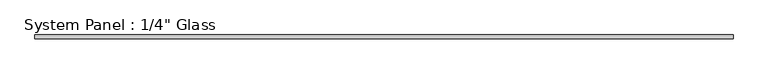
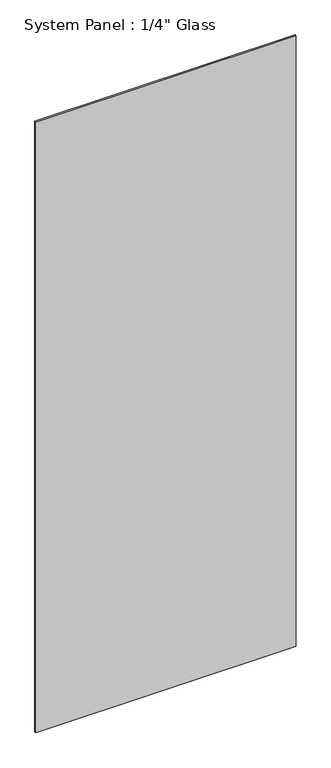
"""IFC4 building model written with IfcOpenShell, lengths in millimetres: plate geometry."""

from ifc_helpers import new_model, si_unit, origin, origin_with_axes, place, context, project, spatial, polyline, outline, extrude, source, transform, mapped, element, save


def plate_3081f4ee(model_context):
    return source(origin(), model_context, "Body", "SweptSolid", [
        extrude(outline(polyline([(596.9, -3.175), (-596.9, -3.175), (-596.9, 3.175), (596.9, 3.175), (596.9, -3.175)])), origin_with_axes(), (0.0, 0.0, 1.0), 2959.1),
    ])


if __name__ == "__main__":
    model = new_model("IFC4")
    model_context = context("Model", 3, world=origin())
    ifc_project = project(units=[si_unit("LENGTHUNIT", "METRE", prefix="MILLI")], contexts=[model_context])
    site = spatial("IfcSite", under=ifc_project)
    building = spatial("IfcBuilding", under=site)
    placement = place(None, origin())
    plate_shape = plate_3081f4ee(model_context)
    element("IfcPlate", 1, ObjectType="System Panel : 1/4\" Glass", at=placement, inside=building, context=model_context, shape_type="MappedRepresentation", body=[
        mapped(plate_shape, transform((0.0, 0.0, 0.0), x_axis=(1.0, 0.0, 0.0), y_axis=(0.0, 1.0, 0.0), z_axis=(0.0, 0.0, 1.0))),
    ])
    save(model, "model.ifc")
